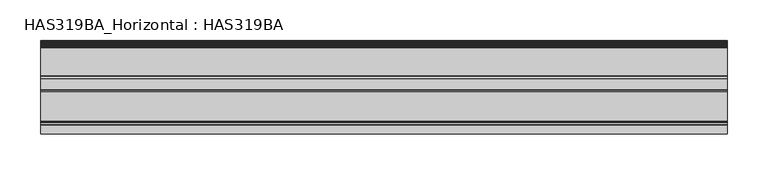
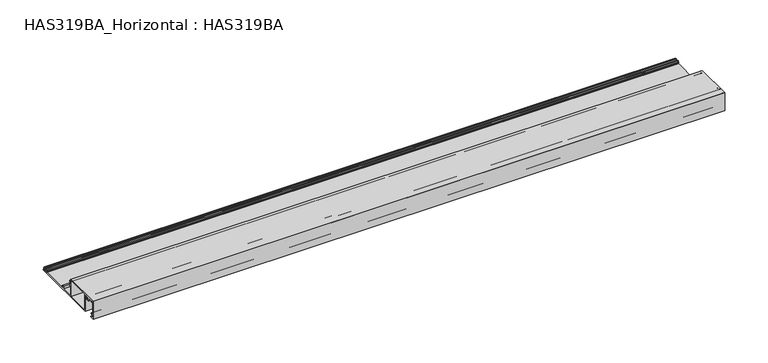
"""IFC4 building model written with IfcOpenShell, lengths in millimetres: beam geometry, HAS319BA_Horizontal : HAS319BA."""

from ifc_helpers import new_model, si_unit, point, frame, frame_2d, origin, place, context, project, spatial, polyline, circle_curve, trimmed, segment, composite_curve, outline, extrude, source, transform, mapped, element, save


def has319ba_horizontal_has319ba_4d43534e(model_context):
    return source(origin(), model_context, "Body", "SweptSolid", [
        extrude(outline(composite_curve([segment(polyline([(11.9922443, 1.5559478), (48.7321131, 1.5559478)]), True, "CONTINUOUS"), segment(trimmed(circle_curve(frame_2d((48.7321131, 2.0578665)), 0.5019187), [point((48.7321131, 1.5559478))], [point((49.1763904, 2.2914045))], True, "CARTESIAN"), True, "CONTINUOUS"), segment(polyline([(49.1763904, 2.2914045), (48.6994167, 3.1987884)]), True, "CONTINUOUS"), segment(trimmed(circle_curve(frame_2d((49.4855486, 3.362855)), 0.8030699), [point((48.6994167, 3.1987884))], [point((48.9176924, 3.9307111))], False, "CARTESIAN"), True, "CONTINUOUS"), segment(polyline([(48.9176924, 3.9307111), (49.8555923, 4.868611), (51.8683829, 4.868611)]), True, "CONTINUOUS"), segment(trimmed(circle_curve(frame_2d((51.8683829, 4.5303283)), 0.3382827), [point((51.8683829, 4.868611))], [point((52.1087403, 4.2922873))], False, "CARTESIAN"), True, "CONTINUOUS"), segment(trimmed(circle_curve(frame_2d((53.2499385, 3.1620875)), 1.6061397), [point((52.1087403, 4.2922873))], [point((54.4254596, 4.256544))], True, "CARTESIAN"), True, "CONTINUOUS"), segment(trimmed(circle_curve(frame_2d((54.6918814, 4.5045932)), 0.3640178), [point((54.4254596, 4.256544))], [point((54.6918814, 4.868611))], False, "CARTESIAN"), True, "CONTINUOUS"), segment(polyline([(54.6918814, 4.868611), (55.8521822, 4.868611)]), True, "CONTINUOUS"), segment(trimmed(circle_curve(frame_2d((53.2499385, 3.1620875)), 3.1118957), [point((55.8521822, 4.868611))], [point((56.2063299, 2.1906738))], False, "CARTESIAN"), True, "CONTINUOUS"), segment(trimmed(circle_curve(frame_2d((56.6831672, 2.0339941)), 0.5019187), [point((56.2063299, 2.1906738))], [point((56.5866789, 1.5414372))], True, "CARTESIAN"), True, "CONTINUOUS"), segment(trimmed(circle_curve(frame_2d((56.437122, 0.7779739)), 0.7779739), [point((56.5866789, 1.5414372))], [point((56.437122, 0.0))], False, "CARTESIAN"), True, "CONTINUOUS"), segment(polyline([(56.437122, 0.0), (-38.6906612, 0.0), (-38.6906612, 23.6448196), (-40.9871474, 23.6448196)]), True, "CONTINUOUS"), segment(trimmed(circle_curve(frame_2d((-40.9871474, 23.2432753)), 0.4015444), [point((-40.9871474, 23.6448196))], [point((-41.3499466, 23.0711864))], True, "CARTESIAN"), True, "CONTINUOUS"), segment(trimmed(circle_curve(frame_2d((-44.1615746, 21.7375287)), 3.1118957), [point((-41.3499466, 23.0711864))], [point((-41.8268955, 19.6800623))], False, "CARTESIAN"), True, "CONTINUOUS"), segment(trimmed(circle_curve(frame_2d((-42.3917372, 20.1778364)), 0.752878), [point((-41.8268955, 19.6800623))], [point((-42.956579, 20.6756106))], False, "CARTESIAN"), True, "CONTINUOUS"), segment(trimmed(circle_curve(frame_2d((-44.1615746, 21.7375287)), 1.6061397), [point((-42.956579, 20.6756106))], [point((-44.120102, 23.3431329))], True, "CARTESIAN"), True, "CONTINUOUS"), segment(trimmed(circle_curve(frame_2d((-44.1615746, 21.7375287)), 1.6061397), [point((-44.120102, 23.3431329))], [point((-45.3665703, 20.6756106))], True, "CARTESIAN"), True, "CONTINUOUS"), segment(trimmed(circle_curve(frame_2d((-45.931412, 20.1778364)), 0.752878), [point((-45.3665703, 20.6756106))], [point((-46.4962537, 19.6800623))], False, "CARTESIAN"), True, "CONTINUOUS"), segment(trimmed(circle_curve(frame_2d((-44.1615746, 21.7375287)), 3.1118957), [point((-46.4962537, 19.6800623))], [point((-46.9732171, 23.0711558))], False, "CARTESIAN"), True, "CONTINUOUS"), segment(trimmed(circle_curve(frame_2d((-47.33604, 23.2432511)), 0.4015685), [point((-46.9732171, 23.0711558))], [point((-47.33604, 23.6448196))], True, "CARTESIAN"), True, "CONTINUOUS"), segment(polyline([(-47.33604, 23.6448196), (-53.3466861, 23.6448196), (-53.3466861, 22.6409823)]), True, "CONTINUOUS"), segment(trimmed(circle_curve(frame_2d((-53.8486047, 22.6409823)), 0.5019187), [point((-53.3466861, 22.6409823))], [point((-54.3505234, 22.6409823))], False, "CARTESIAN"), True, "CONTINUOUS"), segment(polyline([(-54.3505234, 22.6409823), (-54.3505234, 23.6448196), (-55.8562794, 23.6448196), (-55.8562794, 5.6716808), (-54.3505234, 5.6716808), (-54.3505234, 6.6755182)]), True, "CONTINUOUS"), segment(trimmed(circle_curve(frame_2d((-53.8486047, 6.6755182)), 0.5019187), [point((-54.3505234, 6.6755182))], [point((-53.3466861, 6.6755182))], False, "CARTESIAN"), True, "CONTINUOUS"), segment(polyline([(-53.3466861, 6.6755182), (-53.3466861, 5.4709134)]), True, "CONTINUOUS"), segment(trimmed(circle_curve(frame_2d((-54.1497559, 5.4709134)), 0.8030699), [point((-53.3466861, 5.4709134))], [point((-54.1497559, 4.6678435))], False, "CARTESIAN"), True, "CONTINUOUS"), segment(polyline([(-54.1497559, 4.6678435), (-55.8562794, 4.6678435), (-55.8562794, 1.4053722), (-52.8949593, 1.4053722)]), True, "CONTINUOUS"), segment(trimmed(circle_curve(frame_2d((-52.8949593, 0.7026861)), 0.7026861), [point((-52.8949593, 1.4053722))], [point((-52.8949593, 0.0))], False, "CARTESIAN"), True, "CONTINUOUS"), segment(polyline([(-52.8949593, 0.0), (-57.2114597, 0.0), (-57.2114597, 25.0), (-5.5749087, 25.0), (-5.5749087, 22.6409823), (-3.8683853, 22.6409823)]), True, "CONTINUOUS"), segment(trimmed(circle_curve(frame_2d((-3.8683853, 22.1390636)), 0.5019187), [point((-3.8683853, 22.6409823))], [point((-3.3664666, 22.1390636))], False, "CARTESIAN"), True, "CONTINUOUS"), segment(polyline([(-3.3664666, 22.1390636), (-3.3664666, 20.5336914)]), True, "CONTINUOUS"), segment(trimmed(circle_curve(frame_2d((-3.8683853, 20.5336914)), 0.5019187), [point((-3.3664666, 20.5336914))], [point((-4.3703039, 20.5336914))], False, "CARTESIAN"), True, "CONTINUOUS"), segment(polyline([(-4.3703039, 20.5336914), (-4.3703039, 21.3359938), (-5.7756762, 21.3359938), (-5.7756762, 16.0112052), (-4.3703039, 16.0112052), (-4.3703039, 16.8135076)]), True, "CONTINUOUS"), segment(trimmed(circle_curve(frame_2d((-3.8683853, 16.8135076)), 0.5019187), [point((-4.3703039, 16.8135076))], [point((-3.3664666, 16.8135076))], False, "CARTESIAN"), True, "CONTINUOUS"), segment(polyline([(-3.3664666, 16.8135076), (-3.3664666, 15.2081353)]), True, "CONTINUOUS"), segment(trimmed(circle_curve(frame_2d((-3.8683853, 15.2081353)), 0.5019187), [point((-3.3664666, 15.2081353))], [point((-3.8683853, 14.7062167))], False, "CARTESIAN"), True, "CONTINUOUS"), segment(polyline([(-3.8683853, 14.7062167), (-5.5749087, 14.7062167), (-5.5749087, 1.5559478), (10.6872558, 1.5559478), (10.6872558, 4.868611), (13.3976166, 4.868611)]), True, "CONTINUOUS"), segment(trimmed(circle_curve(frame_2d((13.3976166, 4.2663086)), 0.6023024), [point((13.3976166, 4.868611))], [point((13.6744167, 3.7313788))], False, "CARTESIAN"), True, "CONTINUOUS"), segment(polyline([(13.6744167, 3.7313788), (11.9922443, 2.8609364), (11.9922443, 1.5559478)]), True, "CONTINUOUS")], self_intersect=False), holes=[polyline([(-7.1308566, 23.6448196), (-37.1347134, 23.6448196), (-37.1347134, 1.5559478), (-7.1308566, 1.5559478), (-7.1308566, 23.6448196)])]), frame((-419.5539789, 0.0, 0.0), z_axis=(1.0, 0.0, 0.0), x_axis=(0.0, 1.0, 0.0)), (0.0, 0.0, 1.0), 839.1079578),
    ])


if __name__ == "__main__":
    model = new_model("IFC4")
    model_context = context("Model", 3, world=origin())
    ifc_project = project(units=[si_unit("LENGTHUNIT", "METRE", prefix="MILLI")], contexts=[model_context])
    site = spatial("IfcSite", under=ifc_project)
    building = spatial("IfcBuilding", under=site)
    placement = place(None, origin())
    has319ba_horizontal_has319ba_shape = has319ba_horizontal_has319ba_4d43534e(model_context)
    element("IfcBeam", 1, ObjectType="HAS319BA_Horizontal : HAS319BA", at=placement, inside=building, context=model_context, shape_type="MappedRepresentation", body=[
        mapped(has319ba_horizontal_has319ba_shape, transform((0.0, 0.0, 0.0), x_axis=(1.0, 0.0, 0.0), y_axis=(0.0, 1.0, 0.0), z_axis=(0.0, 0.0, 1.0))),
    ])
    save(model, "model.ifc")
